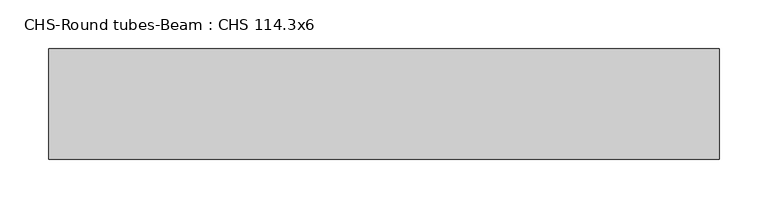
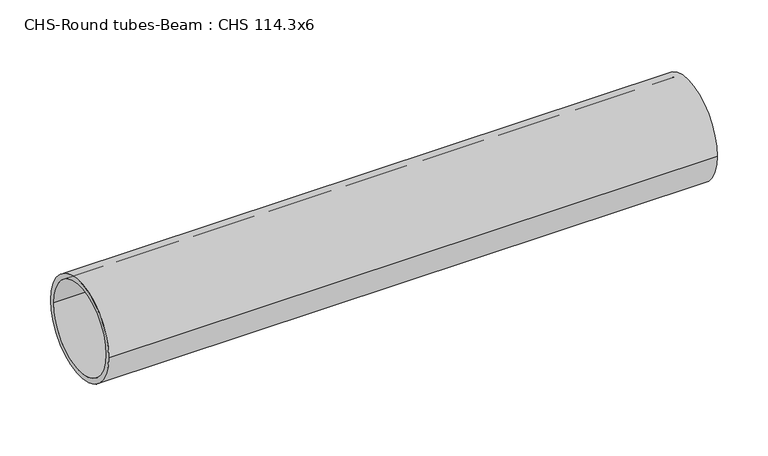
"""IFC4 building model written with IfcOpenShell, lengths in millimetres: beam geometry, CHS-Round tubes-Beam : CHS 114.3x6."""

from ifc_helpers import new_model, si_unit, point, frame, origin, origin_2d, place, context, project, spatial, circle_curve, trimmed, segment, composite_curve, outline, extrude, source, transform, mapped, element, save


def chs_round_tubes_beam_chs_114_3x6_a27eb050(model_context):
    return source(origin(), model_context, "Body", "SweptSolid", [
        extrude(outline(composite_curve([segment(trimmed(circle_curve(origin_2d(), 57.15), [point((57.15, 0.0))], [point((-57.15, 0.0))], False, "CARTESIAN"), True, "CONTINUOUS"), segment(trimmed(circle_curve(origin_2d(), 57.15), [point((-57.15, 0.0))], [point((57.15, 0.0))], False, "CARTESIAN"), True, "CONTINUOUS")], self_intersect=False), holes=[composite_curve([segment(trimmed(circle_curve(origin_2d(), 51.15), [point((51.15, 0.0))], [point((-51.15, 0.0))], True, "CARTESIAN"), True, "CONTINUOUS"), segment(trimmed(circle_curve(origin_2d(), 51.15), [point((-51.15, 0.0))], [point((51.15, 0.0))], True, "CARTESIAN"), True, "CONTINUOUS")], self_intersect=False)]), frame((-304.9965271, 0.0, 0.0), z_axis=(1.0, 0.0, 0.0), x_axis=(0.0, 1.0, 0.0)), (0.0, 0.0, 1.0), 691.3571194),
    ])


if __name__ == "__main__":
    model = new_model("IFC4")
    model_context = context("Model", 3, world=origin())
    ifc_project = project(units=[si_unit("LENGTHUNIT", "METRE", prefix="MILLI")], contexts=[model_context])
    site = spatial("IfcSite", under=ifc_project)
    building = spatial("IfcBuilding", under=site)
    placement = place(None, origin())
    chs_round_tubes_beam_chs_114_3x6_shape = chs_round_tubes_beam_chs_114_3x6_a27eb050(model_context)
    element("IfcBeam", 1, ObjectType="CHS-Round tubes-Beam : CHS 114.3x6", at=placement, inside=building, context=model_context, shape_type="MappedRepresentation", body=[
        mapped(chs_round_tubes_beam_chs_114_3x6_shape, transform((0.0, 0.0, 0.0), x_axis=(1.0, 0.0, 0.0), y_axis=(0.0, 1.0, 0.0), z_axis=(0.0, 0.0, 1.0))),
    ])
    save(model, "model.ifc")
